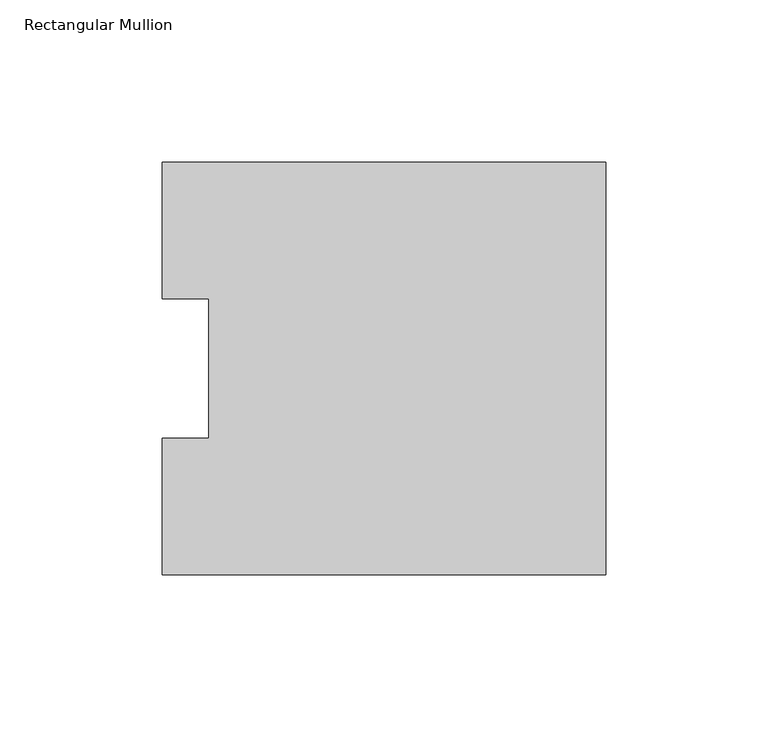
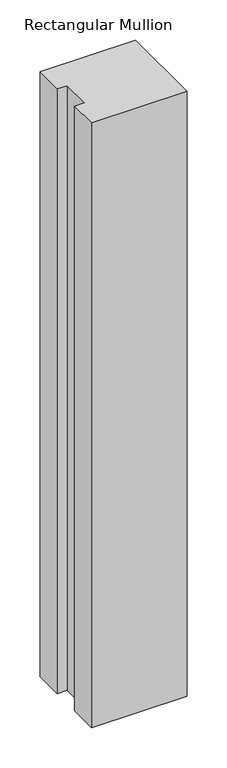
"""IFC4 building model written with IfcOpenShell, lengths in millimetres: member geometry, Rectangular Mullion."""

from ifc_helpers import new_model, si_unit, frame, origin, place, context, project, spatial, polyline, outline, extrude, source, transform, mapped, element, save


def rectangular_mullion_e849b897(model_context):
    return source(origin(), model_context, "Body", "SweptSolid", [
        extrude(outline(polyline([(-136.525, 127.00635), (0.0, 127.00635), (0.0, 0.00635), (-136.525, 0.00635), (-136.525, 42.08145), (-122.2375, 42.08145), (-122.2375, 84.93125), (-136.525, 84.93125), (-136.525, 127.00635)])), frame((0.0, 0.0, -914.4), z_axis=(0.0, 0.0, 1.0), x_axis=(1.0, 0.0, 0.0)), (0.0, 0.0, 1.0), 914.4),
    ])


if __name__ == "__main__":
    model = new_model("IFC4")
    model_context = context("Model", 3, world=origin())
    ifc_project = project(units=[si_unit("LENGTHUNIT", "METRE", prefix="MILLI")], contexts=[model_context])
    site = spatial("IfcSite", under=ifc_project)
    building = spatial("IfcBuilding", under=site)
    placement = place(None, origin())
    rectangular_mullion_shape = rectangular_mullion_e849b897(model_context)
    element("IfcMember", 1, ObjectType="Rectangular Mullion", at=placement, inside=building, context=model_context, shape_type="MappedRepresentation", body=[
        mapped(rectangular_mullion_shape, transform((0.0, 0.0, 0.0), x_axis=(1.0, 0.0, 0.0), y_axis=(0.0, 1.0, 0.0), z_axis=(0.0, 0.0, 1.0))),
    ])
    save(model, "model.ifc")
